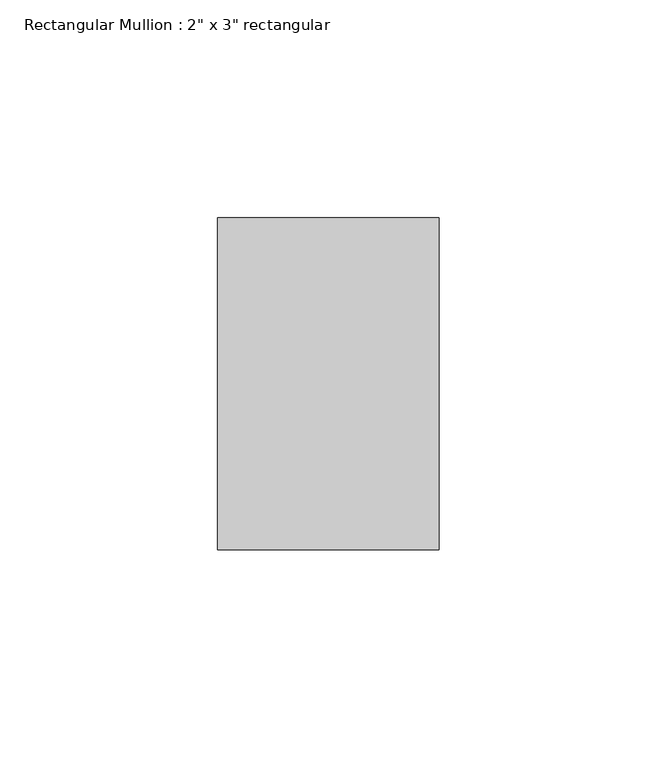
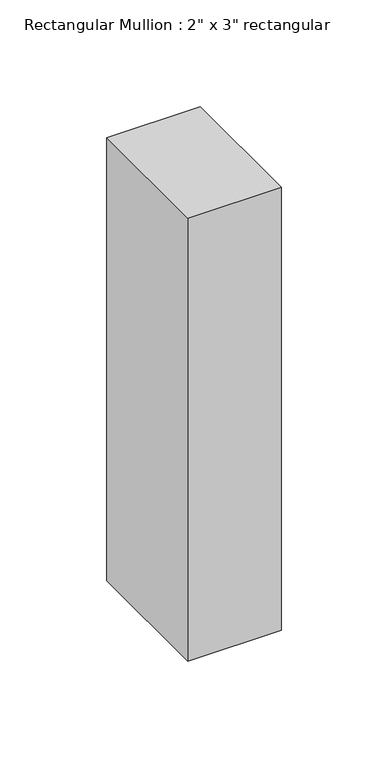
"""IFC4 building model written with IfcOpenShell, lengths in millimetres: member geometry."""

from ifc_helpers import new_model, si_unit, frame, origin, place, context, project, spatial, polyline, outline, extrude, source, transform, mapped, element, save


def member_cc377c74(model_context):
    return source(origin(), model_context, "Body", "SweptSolid", [
        extrude(outline(polyline([(0.0, 38.1), (0.0, -38.1), (-50.8, -38.1), (-50.8, 38.1), (0.0, 38.1)])), frame((0.0, 0.0, -254.0), z_axis=(0.0, 0.0, 1.0), x_axis=(1.0, 0.0, 0.0)), (0.0, 0.0, 1.0), 254.0),
    ])


if __name__ == "__main__":
    model = new_model("IFC4")
    model_context = context("Model", 3, world=origin())
    ifc_project = project(units=[si_unit("LENGTHUNIT", "METRE", prefix="MILLI")], contexts=[model_context])
    site = spatial("IfcSite", under=ifc_project)
    building = spatial("IfcBuilding", under=site)
    placement = place(None, origin())
    member_shape = member_cc377c74(model_context)
    element("IfcMember", 1, ObjectType="Rectangular Mullion : 2\" x 3\" rectangular", at=placement, inside=building, context=model_context, shape_type="MappedRepresentation", body=[
        mapped(member_shape, transform((0.0, 0.0, 0.0), x_axis=(1.0, 0.0, 0.0), y_axis=(0.0, 1.0, 0.0), z_axis=(0.0, 0.0, 1.0))),
    ])
    save(model, "model.ifc")
